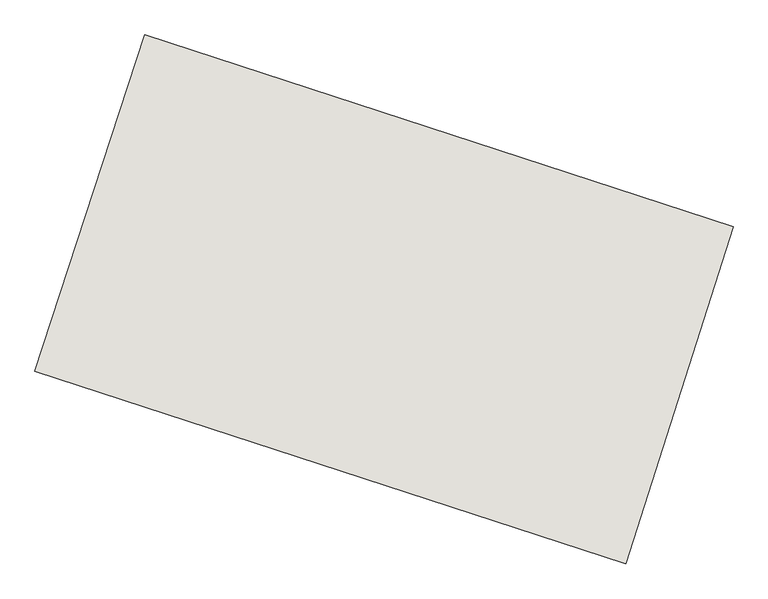
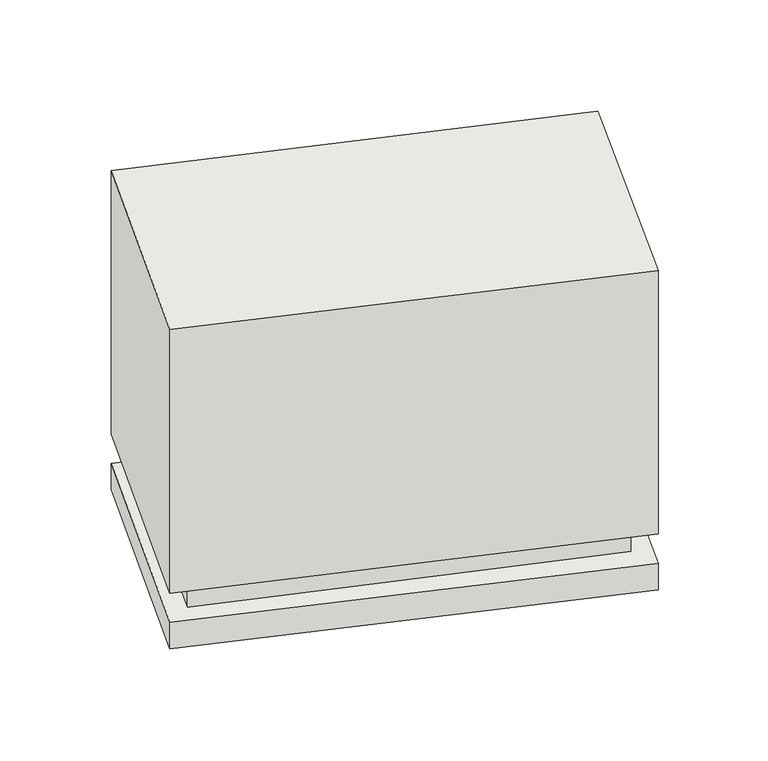
"""IFC4 building model written with IfcOpenShell, lengths in millimetres: wall geometry."""

import ifcopenshell
import ifcopenshell.guid

model = None  # the IFC model being written
_history = None  # IfcOwnerHistory: only IFC2X3 demands one
_inside = {}  # id of a spatial element -> (the spatial element, [elements in it])
_under = {}  # id of a project, library or spatial element -> (it, [spatial elements below it])
_declared = {}  # id of a project -> (the project, [libraries it declares])
_typed = {}  # id of a type object -> (the type object, [elements of that type])
_made_of = {}  # id of a material, layer set ... -> (it, [elements and type objects made of it])


def new_model(schema):
    """Start an empty IFC model of exactly this schema.

    Asked for "IFC4X3", IfcOpenShell would pick the latest addendum, in which some entities
    have other attributes; the version numbers below select the first issue.
    IFC2X3 requires an IfcOwnerHistory on every rooted entity: one is made here for all.
    """
    global model, _history
    if schema == "IFC4X3":
        model = ifcopenshell.file(schema_version=(4, 3, 0, 0))
    else:
        model = ifcopenshell.file(schema=schema)
    _inside.clear()
    _under.clear()
    _declared.clear()
    _typed.clear()
    _made_of.clear()
    _history = None
    if model.schema == "IFC2X3":
        org = make("IfcOrganization", Name="unknown")
        user = make(
            "IfcPersonAndOrganization",
            ThePerson=make("IfcPerson", FamilyName="unknown"),
            TheOrganization=org,
        )
        app = make(
            "IfcApplication",
            ApplicationDeveloper=org,
            Version="unknown",
            ApplicationFullName="unknown",
            ApplicationIdentifier="unknown",
        )
        _history = make(
            "IfcOwnerHistory",
            OwningUser=user,
            OwningApplication=app,
            ChangeAction="ADDED",
            CreationDate=0,
        )
    return model


def make(cls, **values):
    """One entity of the class cls with the attributes given. An attribute that is None is left unset."""
    return model.create_entity(
        cls, **{name: value for name, value in values.items() if value is not None}
    )


def rooted(cls, **values):
    """An entity with a GlobalId (a new one), such as an element, a storey or a relation."""
    return make(cls, GlobalId=ifcopenshell.guid.new(), OwnerHistory=_history, **values)


def si_unit(unit_type, name, prefix=None):
    """IfcSIUnit, for example si_unit("LENGTHUNIT", "METRE", prefix="MILLI")."""
    return make("IfcSIUnit", UnitType=unit_type, Prefix=prefix, Name=name)


def assignment(units):
    """IfcUnitAssignment: the units of a project."""
    return None if units is None else make("IfcUnitAssignment", Units=units)


def point(xyz):
    """IfcCartesianPoint."""
    return None if xyz is None else make("IfcCartesianPoint", Coordinates=xyz)


def direction(xyz):
    """IfcDirection."""
    return None if xyz is None else make("IfcDirection", DirectionRatios=xyz)


def frame(location, z_axis=None, x_axis=None):
    """IfcAxis2Placement3D, a coordinate frame: its origin and axes. An axis left out is left unset."""
    return make(
        "IfcAxis2Placement3D",
        Location=point(location),
        Axis=direction(z_axis),
        RefDirection=direction(x_axis),
    )


def origin():
    """The frame at (0, 0, 0) with its axes left unset."""
    return frame((0.0, 0.0, 0.0))


def place(relative_to, where):
    """IfcLocalPlacement: puts the frame where relative to a parent placement (None: the world)."""
    return make(
        "IfcLocalPlacement", PlacementRelTo=relative_to, RelativePlacement=where
    )


def context(
    kind, dimensions, precision=None, world=None, true_north=None, identifier=None
):
    """IfcGeometricRepresentationContext, for example the 3D "Model" context."""
    return make(
        "IfcGeometricRepresentationContext",
        ContextIdentifier=identifier,
        ContextType=kind,
        CoordinateSpaceDimension=dimensions,
        Precision=precision,
        WorldCoordinateSystem=world,
        TrueNorth=true_north,
    )


def project(units=None, contexts=None):
    """IfcProject with its units and contexts."""
    return rooted(
        "IfcProject",
        Name="project",
        RepresentationContexts=contexts,
        UnitsInContext=assignment(units),
    )


def spatial(cls, under=None, at=None, **own):
    """A site, building, storey or space (cls), placed at a placement, below another one or the project."""
    s = rooted(cls, ObjectPlacement=at, **own)
    if under is not None:
        _under.setdefault(under.id(), (under, []))[1].append(s)
    return s


def polyline(points):
    """IfcPolyline through the points."""
    return make("IfcPolyline", Points=[point(p) for p in points])


def outline(outer, holes=None, kind="AREA"):
    """IfcArbitraryClosedProfileDef: a profile drawn as a closed curve; with holes, ...WithVoids."""
    if holes is None:
        return make("IfcArbitraryClosedProfileDef", ProfileType=kind, OuterCurve=outer)
    return make(
        "IfcArbitraryProfileDefWithVoids",
        ProfileType=kind,
        OuterCurve=outer,
        InnerCurves=holes,
    )


def extrude(swept, where, along, depth):
    """IfcExtrudedAreaSolid: the profile swept, set in the frame where, extruded along a direction by depth."""
    return make(
        "IfcExtrudedAreaSolid",
        SweptArea=swept,
        Position=where,
        ExtrudedDirection=direction(along),
        Depth=depth,
    )


def shape(context_of_items, identifier, shape_type, items):
    """IfcShapeRepresentation: the items that make up one representation, for example the "Body"."""
    return make(
        "IfcShapeRepresentation",
        ContextOfItems=context_of_items,
        RepresentationIdentifier=identifier,
        RepresentationType=shape_type,
        Items=items,
    )


def source(mapping_origin, context_of_items, identifier, shape_type, items):
    """IfcRepresentationMap: a shape defined once, which mapped items show again and again."""
    return make(
        "IfcRepresentationMap",
        MappingOrigin=mapping_origin,
        MappedRepresentation=shape(context_of_items, identifier, shape_type, items),
    )


def transform(
    local_origin,
    x_axis=None,
    y_axis=None,
    z_axis=None,
    scale=None,
    scale2=None,
    scale3=None,
    uniform=True,
):
    """IfcCartesianTransformationOperator3D, or its non-uniform kind. x_axis, y_axis, z_axis: its Axis1, 2, 3."""
    if uniform:
        return make(
            "IfcCartesianTransformationOperator3D",
            Axis1=direction(x_axis),
            Axis2=direction(y_axis),
            LocalOrigin=point(local_origin),
            Scale=scale,
            Axis3=direction(z_axis),
        )
    return make(
        "IfcCartesianTransformationOperator3DnonUniform",
        Axis1=direction(x_axis),
        Axis2=direction(y_axis),
        LocalOrigin=point(local_origin),
        Scale=scale,
        Axis3=direction(z_axis),
        Scale2=scale2,
        Scale3=scale3,
    )


def mapped(mapping_source, mapping_target):
    """IfcMappedItem: shows the shape of a source again, moved by a transform."""
    return make(
        "IfcMappedItem", MappingSource=mapping_source, MappingTarget=mapping_target
    )


def made_of(thing, what):
    """Note that an element or type object is made of a material, layer set ...; save() writes the relation."""
    if what is not None:
        _made_of.setdefault(what.id(), (what, []))[1].append(thing)
    return thing


def element(
    cls,
    number,
    at=None,
    inside=None,
    cuts=None,
    type_object=None,
    material=None,
    context=None,
    identifier="Body",
    shape_type=None,
    held_by="IfcProductDefinitionShape",
    body=None,
    shapes=None,
    **own,
):
    """One element of the class cls, such as IfcWall. Its Tag is "e" and its number.

    at: its placement. inside: the storey or other place that contains it. cuts: it is an
    opening in that element (IfcRelVoidsElement). A single representation is given by context,
    identifier, shape_type and body (its items); several are given by shapes. held_by: the class
    of the entity that holds the representations. save() writes the other relations.
    """
    e = rooted(cls, Tag="e%d" % number, ObjectPlacement=at, **own)
    if body is not None:
        shapes = [shape(context, identifier, shape_type, body)]
    if shapes is not None:
        e.Representation = make(held_by, Representations=shapes)
    if inside is not None:
        _inside.setdefault(inside.id(), (inside, []))[1].append(e)
    if cuts is not None:
        rooted(
            "IfcRelVoidsElement", RelatingBuildingElement=cuts, RelatedOpeningElement=e
        )
    if type_object is not None:
        _typed.setdefault(type_object.id(), (type_object, []))[1].append(e)
    return made_of(e, material)


def aggregate(whole, parts):
    """IfcRelAggregates: a whole, such as a stair, and the parts it consists of."""
    return rooted("IfcRelAggregates", RelatingObject=whole, RelatedObjects=parts)


def save(model, path):
    """Write the relations noted so far, then the file.

    IfcRelAggregates (storeys below a building ...), IfcRelContainedInSpatialStructure (elements
    in a storey), IfcRelDefinesByType, IfcRelAssociatesMaterial and IfcRelDeclares: one each for
    every whole, place, type object, material and project.
    """
    for whole, parts in _under.values():
        aggregate(whole, parts)
    for where, things in _inside.values():
        rooted(
            "IfcRelContainedInSpatialStructure",
            RelatedElements=things,
            RelatingStructure=where,
        )
    for kind, things in _typed.values():
        rooted("IfcRelDefinesByType", RelatedObjects=things, RelatingType=kind)
    for what, things in _made_of.values():
        rooted("IfcRelAssociatesMaterial", RelatedObjects=things, RelatingMaterial=what)
    for by, libraries in _declared.values():
        rooted("IfcRelDeclares", RelatingContext=by, RelatedDefinitions=libraries)
    model.write(path)


def wall_8588e760(model_context):
    return source(origin(), model_context, "Body", "SweptSolid", [
        extrude(outline(polyline([(-83845.1658937, -9755.0194285), (-82647.2026794, -10145.5116015), (-82865.8545872, -10831.5244369), (-84068.3042783, -10439.5698366), (-83845.1658937, -9755.0194285)])), frame((0.0, 0.0, -1623.0977236), z_axis=(0.0, 0.0, 1.0), x_axis=(1.0, 0.0, 0.0)), (0.0, 0.0, 1.0), 815.2547691),
        extrude(outline(polyline([(-83808.6080477, -9826.9359485), (-82718.8796029, -10182.1475472), (-82900.4442053, -10751.800238), (-83996.2341206, -10402.5406568), (-83808.6080477, -9826.9359485)])), frame((0.0, 0.0, -1714.1029072), z_axis=(0.0, 0.0, 1.0), x_axis=(1.0, 0.0, 0.0)), (0.0, 0.0, 1.0), 91.0051835),
        extrude(outline(polyline([(-83845.1658937, -9755.0194285), (-82647.2026794, -10145.5116015), (-82865.8545872, -10831.5244369), (-84068.3042783, -10439.5698366), (-83845.1658937, -9755.0194285)])), frame((0.0, 0.0, -1795.5), z_axis=(0.0, 0.0, 1.0), x_axis=(1.0, 0.0, 0.0)), (0.0, 0.0, 1.0), 81.3970928),
    ])


if __name__ == "__main__":
    model = new_model("IFC4")
    model_context = context("Model", 3, world=origin())
    ifc_project = project(units=[si_unit("LENGTHUNIT", "METRE", prefix="MILLI")], contexts=[model_context])
    site = spatial("IfcSite", under=ifc_project)
    building = spatial("IfcBuilding", under=site)
    placement = place(None, origin())
    wall_shape = wall_8588e760(model_context)
    element("IfcWall", 1, at=placement, inside=building, context=model_context, shape_type="MappedRepresentation", body=[
        mapped(wall_shape, transform((0.0, 0.0, 0.0), x_axis=(1.0, 0.0, 0.0), y_axis=(0.0, 1.0, 0.0), z_axis=(0.0, 0.0, 1.0))),
    ])
    save(model, "model.ifc")
